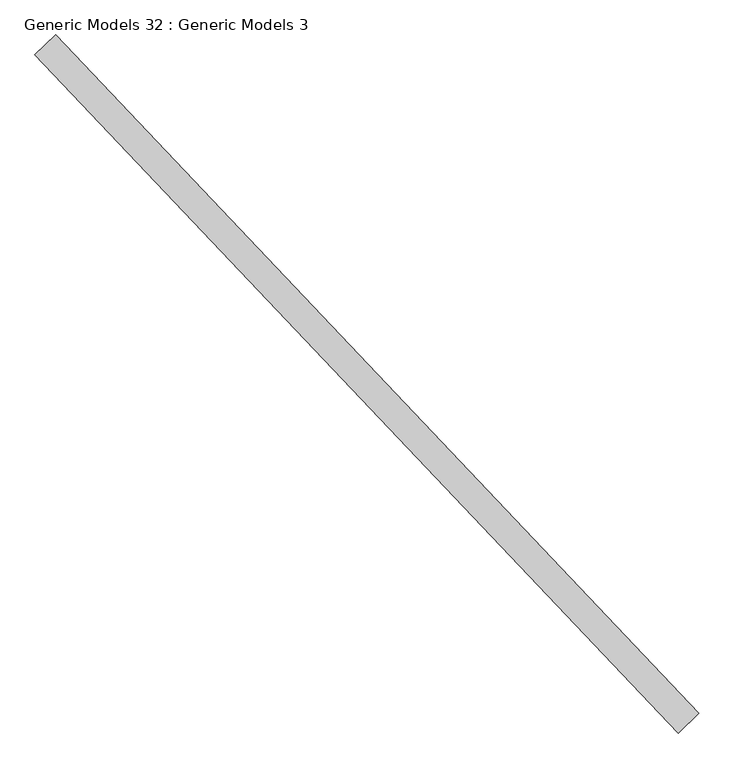
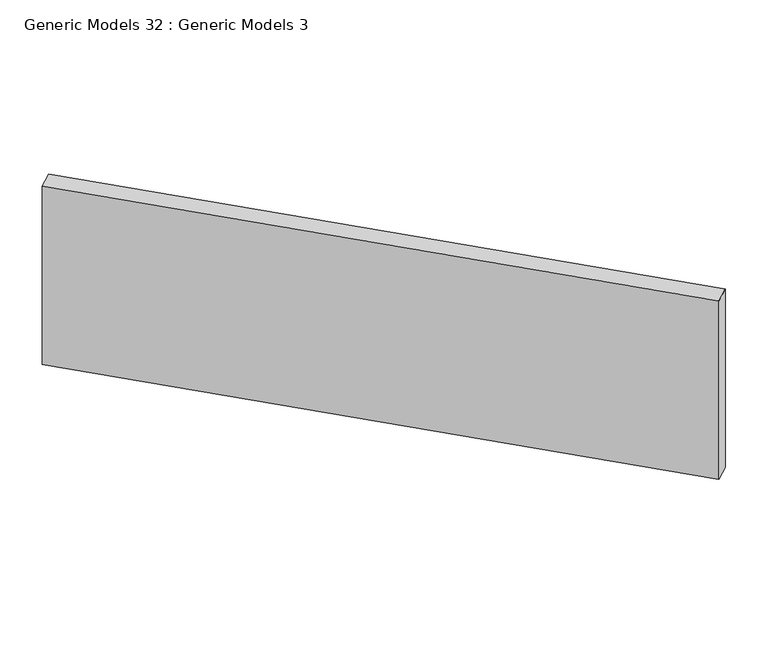
"""IFC4 building model written with IfcOpenShell, lengths in millimetres: proxy geometry, Generic Models 32 : Generic Models 3."""

from ifc_helpers import new_model, si_unit, frame, origin, place, context, project, spatial, polyline, outline, extrude, source, transform, mapped, element, save


def generic_models_32_generic_models_3_24fdc66f(model_context):
    return source(origin(), model_context, "Body", "SweptSolid", [
        extrude(outline(polyline([(110371.5332868, 57040.0681096), (110472.8680865, 57136.2312438), (113591.6133714, 53849.7594467), (113490.2785718, 53753.5963125), (110371.5332868, 57040.0681096)])), frame((0.0, 0.0, 16476.3454221), z_axis=(0.0, 0.0, 1.0), x_axis=(1.0, 0.0, 0.0)), (0.0, 0.0, 1.0), 1399.5478846),
    ])


if __name__ == "__main__":
    model = new_model("IFC4")
    model_context = context("Model", 3, world=origin())
    ifc_project = project(units=[si_unit("LENGTHUNIT", "METRE", prefix="MILLI")], contexts=[model_context])
    site = spatial("IfcSite", under=ifc_project)
    building = spatial("IfcBuilding", under=site)
    placement = place(None, origin())
    generic_models_32_generic_models_3_shape = generic_models_32_generic_models_3_24fdc66f(model_context)
    element("IfcBuildingElementProxy", 1, Name="Generic Models 32 : Generic Models 3", ObjectType="Generic Models 32 : Generic Models 3", at=placement, inside=building, context=model_context, shape_type="MappedRepresentation", body=[
        mapped(generic_models_32_generic_models_3_shape, transform((0.0, 0.0, 0.0), x_axis=(1.0, 0.0, 0.0), y_axis=(0.0, 1.0, 0.0), z_axis=(0.0, 0.0, 1.0))),
    ])
    save(model, "model.ifc")
